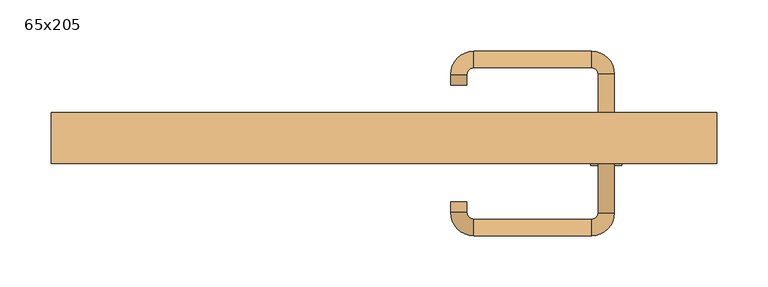
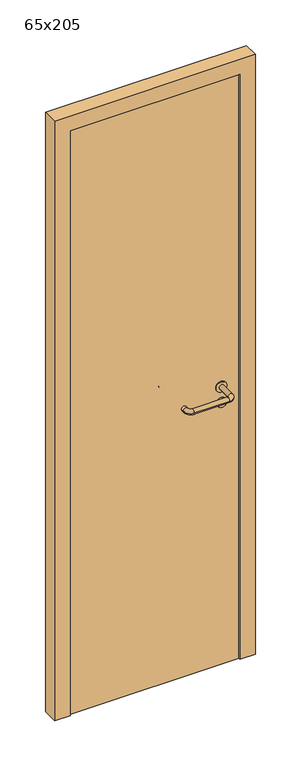
"""IFC4 building model written with IfcOpenShell, lengths in millimetres: door geometry, 65x205."""

from ifc_helpers import new_model, si_unit, point, frame, frame_2d, origin, origin_with_axes, place, context, project, spatial, polyline, circle_curve, ellipse_curve, trimmed, segment, composite_curve, outline, extrude, source, transform, mapped, element, save
from ifc_brep_helpers import plane_surface, cylinder_surface, revolved_surface, advanced_brep


def door_65x205_3308ff74(model_context):
    return source(origin(), model_context, "Body", "SolidModel", [
        extrude(outline(composite_curve([segment(trimmed(circle_curve(frame_2d((897.3605726, 217.0)), 15.0), [point((897.3605726, 232.0))], [point((897.3605726, 202.0))], False, "CARTESIAN"), True, "CONTINUOUS"), segment(trimmed(circle_curve(frame_2d((897.3605726, 217.0)), 15.0), [point((897.3605726, 202.0))], [point((897.3605726, 232.0))], False, "CARTESIAN"), True, "CONTINUOUS")], self_intersect=False), holes=[composite_curve([segment(trimmed(circle_curve(frame_2d((892.5833211, 216.9398032)), 2.0), [point((892.5833211, 218.9398032))], [point((892.5833211, 214.9398032))], True, "CARTESIAN"), True, "CONTINUOUS"), segment(polyline([(892.5833211, 214.9398032), (902.5833211, 214.9398032)]), True, "CONTINUOUS"), segment(trimmed(circle_curve(frame_2d((902.5833211, 216.9398032)), 2.0), [point((902.5833211, 214.9398032))], [point((902.5833211, 218.9398032))], True, "CARTESIAN"), True, "CONTINUOUS"), segment(polyline([(902.5833211, 218.9398032), (892.5833211, 218.9398032)]), True, "CONTINUOUS")], self_intersect=False)]), frame((0.0, 10.0, 0.0), z_axis=(0.0, 1.0, 0.0), x_axis=(0.0, 0.0, 1.0)), (0.0, 0.0, 1.0), 6.35),
        extrude(outline(composite_curve([segment(trimmed(circle_curve(frame_2d((950.0, 217.0)), 17.526), [point((950.0, 234.526))], [point((950.0, 199.474))], False, "CARTESIAN"), True, "CONTINUOUS"), segment(trimmed(circle_curve(frame_2d((950.0, 217.0)), 17.526), [point((950.0, 199.474))], [point((950.0, 234.526))], False, "CARTESIAN"), True, "CONTINUOUS")], self_intersect=False)), frame((0.0, 10.0, 0.0), z_axis=(0.0, 1.0, 0.0), x_axis=(0.0, 0.0, 1.0)), (0.0, 0.0, 1.0), 3.175),
        advanced_brep(
        [(225.0, 10.0, 950.0), (209.0, 10.0, 950.0), (225.0, 63.0, 950.0), (209.0, 63.0, 950.0), (202.8578644, 69.1421356, 950.0), (202.8578644, 85.1421356, 950.0), (87.8578644, 85.1421356, 950.0), (87.8578644, 69.1421356, 950.0), (81.008622, 62.2928932, 950.0), (65.008622, 62.2928932, 950.0), (65.008622, 52.2928932, 950.0), (81.008622, 52.2928932, 950.0)],
        [
            (0, 1, circle_curve(frame((217.0, 10.0, 950.0), z_axis=(0.0, -1.0, 0.0), x_axis=(-1.0, 0.0, 0.0)), 8.0)),
            (1, 0, circle_curve(frame((217.0, 10.0, 950.0), z_axis=(0.0, -1.0, 0.0), x_axis=(-1.0, 0.0, 0.0)), 8.0)),
            (0, 2),
            (2, 3, circle_curve(frame((217.0, 63.0, 950.0), z_axis=(0.0, -1.0, 0.0), x_axis=(-1.0, 0.0, 0.0)), 8.0)),
            (3, 1),
            (3, 2, circle_curve(frame((217.0, 63.0, 950.0), z_axis=(0.0, -1.0, 0.0), x_axis=(-1.0, 0.0, 0.0)), 8.0)),
            (4, 3, circle_curve(frame((202.8578644, 63.0, 950.0), z_axis=(0.0, 0.0, -1.0), x_axis=(1.0, 0.0, 0.0)), 6.1421356)),
            (2, 5, circle_curve(frame((202.8578644, 63.0, 950.0), z_axis=(0.0, 0.0, 1.0), x_axis=(1.0, 0.0, 0.0)), 22.1421356)),
            (5, 4, circle_curve(frame((202.8578644, 77.1421356, 950.0), z_axis=(1.0, 0.0, 0.0), x_axis=(0.0, -1.0, 0.0)), 8.0)),
            (4, 5, circle_curve(frame((202.8578644, 77.1421356, 950.0), z_axis=(1.0, 0.0, 0.0), x_axis=(0.0, -1.0, 0.0)), 8.0)),
            (5, 6),
            (6, 7, circle_curve(frame((87.8578644, 77.1421356, 950.0), z_axis=(1.0, 0.0, 0.0), x_axis=(0.0, -1.0, 0.0)), 8.0)),
            (7, 4),
            (7, 6, circle_curve(frame((87.8578644, 77.1421356, 950.0), z_axis=(1.0, 0.0, 0.0), x_axis=(0.0, -1.0, 0.0)), 8.0)),
            (8, 7, circle_curve(frame((87.8578644, 62.2928932, 950.0), z_axis=(0.0, 0.0, -1.0), x_axis=(0.0, 1.0, 0.0)), 6.8492424)),
            (6, 9, circle_curve(frame((87.8578644, 62.2928932, 950.0), z_axis=(0.0, 0.0, 1.0), x_axis=(0.0, 1.0, 0.0)), 22.8492424)),
            (9, 8, circle_curve(frame((73.008622, 62.2928932, 950.0), z_axis=(0.0, 1.0, 0.0), x_axis=(1.0, 0.0, 0.0)), 8.0)),
            (8, 9, circle_curve(frame((73.008622, 62.2928932, 950.0), z_axis=(0.0, 1.0, 0.0), x_axis=(1.0, 0.0, 0.0)), 8.0)),
            (10, 11, circle_curve(frame((73.008622, 52.2928932, 950.0), z_axis=(0.0, -1.0, 0.0), x_axis=(1.0, 0.0, 0.0)), 8.0)),
            (11, 10, circle_curve(frame((73.008622, 52.2928932, 950.0), z_axis=(0.0, -1.0, 0.0), x_axis=(1.0, 0.0, 0.0)), 8.0)),
            (9, 10),
            (11, 8),
        ],
        [
            plane_surface(frame((217.0, 10.0, 170.0), z_axis=(0.0, -1.0, 0.0), x_axis=(0.0, 0.0, 1.0))),
            cylinder_surface(frame((217.0, 10.0, 950.0), z_axis=(0.0, -1.0, 0.0), x_axis=(-1.0, 0.0, 0.0)), 8.0),
            revolved_surface(trimmed(ellipse_curve(frame((217.0, 63.0, 950.0), z_axis=(0.0, -1.0, 0.0), x_axis=(-1.0, 0.0, 0.0)), 8.0, 8.0), [point((225.0, 63.0, 950.0))], [point((209.0, 63.0, 950.0))], True, "CARTESIAN"), (202.8578644, 63.0, 170.0), (0.0, 0.0, 1.0)),
            revolved_surface(trimmed(ellipse_curve(frame((217.0, 63.0, 950.0), z_axis=(0.0, -1.0, 0.0), x_axis=(-1.0, 0.0, 0.0)), 8.0, 8.0), [point((209.0, 63.0, 950.0))], [point((225.0, 63.0, 950.0))], True, "CARTESIAN"), (202.8578644, 63.0, 170.0), (0.0, 0.0, 1.0)),
            cylinder_surface(frame((202.8578644, 77.1421356, 950.0), z_axis=(1.0, 0.0, 0.0), x_axis=(0.0, -1.0, 0.0)), 8.0),
            revolved_surface(trimmed(ellipse_curve(frame((87.8578644, 77.1421356, 950.0), z_axis=(1.0, 0.0, 0.0), x_axis=(0.0, -1.0, 0.0)), 8.0, 8.0), [point((87.8578644, 85.1421356, 950.0))], [point((87.8578644, 69.1421356, 950.0))], True, "CARTESIAN"), (87.8578644, 62.2928932, 170.0), (0.0, 0.0, 1.0)),
            revolved_surface(trimmed(ellipse_curve(frame((87.8578644, 77.1421356, 950.0), z_axis=(1.0, 0.0, 0.0), x_axis=(0.0, -1.0, 0.0)), 8.0, 8.0), [point((87.8578644, 69.1421356, 950.0))], [point((87.8578644, 85.1421356, 950.0))], True, "CARTESIAN"), (87.8578644, 62.2928932, 170.0), (0.0, 0.0, 1.0)),
            plane_surface(frame((73.008622, 52.2928932, 170.0), z_axis=(0.0, -1.0, 0.0), x_axis=(0.0, 0.0, 1.0))),
            cylinder_surface(frame((73.008622, 62.2928932, 950.0), z_axis=(0.0, 1.0, 0.0), x_axis=(1.0, 0.0, 0.0)), 8.0),
        ],
        [
            (0, [[1, 2]]),
            (1, [[-1, 3, 4, 5]]),
            (1, [[-2, -5, 6, -3]]),
            (2, [[7, -4, 8, 9]]),
            (3, [[-8, -6, -7, 10]]),
            (4, [[-9, 11, 12, 13]]),
            (4, [[-10, -13, 14, -11]]),
            (5, [[15, -12, 16, 17]]),
            (6, [[-16, -14, -15, 18]]),
            (7, [[19, 20]]),
            (8, [[-17, 21, -20, 22]]),
            (8, [[-18, -22, -19, -21]]),
        ],
    ),
        extrude(outline(composite_curve([segment(trimmed(circle_curve(frame_2d((0.0, 15.0)), 15.0), [point((0.0, 30.0))], [point((0.0, 0.0))], False, "CARTESIAN"), True, "CONTINUOUS"), segment(trimmed(circle_curve(frame_2d((0.0, 15.0)), 15.0), [point((0.0, 0.0))], [point((0.0, 30.0))], False, "CARTESIAN"), True, "CONTINUOUS")], self_intersect=False), holes=[composite_curve([segment(trimmed(circle_curve(frame_2d((-4.7772515, 14.9398032)), 2.0), [point((-4.7772515, 16.9398032))], [point((-4.7772515, 12.9398032))], True, "CARTESIAN"), True, "CONTINUOUS"), segment(polyline([(-4.7772515, 12.9398032), (5.2227485, 12.9398032)]), True, "CONTINUOUS"), segment(trimmed(circle_curve(frame_2d((5.2227485, 14.9398032)), 2.0), [point((5.2227485, 12.9398032))], [point((5.2227485, 16.9398032))], True, "CARTESIAN"), True, "CONTINUOUS"), segment(polyline([(5.2227485, 16.9398032), (-4.7772515, 16.9398032)]), True, "CONTINUOUS")], self_intersect=False)]), frame((202.0, -26.35, 897.3605726), z_axis=(-1.8870575173328306e-12, 1.0, 0.0), x_axis=(0.0, 0.0, 1.0)), (0.0, 0.0, 1.0), 6.35),
        extrude(outline(composite_curve([segment(trimmed(circle_curve(frame_2d((0.0, 17.526)), 17.526), [point((0.0, 35.052))], [point((0.0, 0.0))], False, "CARTESIAN"), True, "CONTINUOUS"), segment(trimmed(circle_curve(frame_2d((0.0, 17.526)), 17.526), [point((0.0, 0.0))], [point((0.0, 35.052))], False, "CARTESIAN"), True, "CONTINUOUS")], self_intersect=False)), frame((199.474, -23.175, 950.0), z_axis=(-1.8870575173328306e-12, 1.0, 0.0), x_axis=(0.0, 0.0, 1.0)), (0.0, 0.0, 1.0), 3.175),
        advanced_brep(
        [(225.0, -20.0, 950.0), (209.0, -20.0, 950.0), (209.0, -73.0, 950.0), (225.0, -73.0, 950.0), (202.8578644, -79.1421356, 950.0), (202.8578644, -95.1421356, 950.0), (87.8578644, -79.1421356, 950.0), (87.8578644, -95.1421356, 950.0), (81.008622, -72.2928932, 950.0), (65.008622, -72.2928932, 950.0), (65.008622, -62.2928932, 950.0), (81.008622, -62.2928932, 950.0)],
        [
            (0, 1, circle_curve(frame((217.0, -20.0, 950.0), z_axis=(-1.888672253512351e-12, 1.0, 0.0), x_axis=(-1.0, -1.888672253512351e-12, 0.0)), 8.0)),
            (1, 0, circle_curve(frame((217.0, -20.0, 950.0), z_axis=(-1.888672253512351e-12, 1.0, 0.0), x_axis=(-1.0, -1.888672253512351e-12, 0.0)), 8.0)),
            (1, 2),
            (2, 3, circle_curve(frame((217.0, -73.0, 950.0), z_axis=(-1.888672253512351e-12, 1.0, 0.0), x_axis=(-1.0, -1.888672253512351e-12, 0.0)), 8.0)),
            (3, 0),
            (3, 2, circle_curve(frame((217.0, -73.0, 950.0), z_axis=(-1.888672253512351e-12, 1.0, 0.0), x_axis=(-1.0, -1.888672253512351e-12, 0.0)), 8.0)),
            (4, 5, circle_curve(frame((202.8578644, -87.1421356, 950.0), z_axis=(1.0, 1.913702061528922e-12, 0.0), x_axis=(-1.913702061528922e-12, 1.0, 0.0)), 8.0)),
            (5, 3, circle_curve(frame((202.8578644, -73.0, 950.0), z_axis=(0.0, 0.0, 1.0), x_axis=(1.0, 1.880717803715015e-12, 0.0)), 22.1421356)),
            (2, 4, circle_curve(frame((202.8578644, -73.0, 950.0), z_axis=(0.0, 0.0, -1.0), x_axis=(1.0, 1.880717803715015e-12, 0.0)), 6.1421356)),
            (5, 4, circle_curve(frame((202.8578644, -87.1421356, 950.0), z_axis=(1.0, 1.913702061528922e-12, 0.0), x_axis=(-1.913702061528922e-12, 1.0, 0.0)), 8.0)),
            (4, 6),
            (6, 7, circle_curve(frame((87.8578644, -87.1421356, 950.0), z_axis=(1.0, 1.913719828541269e-12, 0.0), x_axis=(-1.913719828541269e-12, 1.0, 0.0)), 8.0)),
            (7, 5),
            (7, 6, circle_curve(frame((87.8578644, -87.1421356, 950.0), z_axis=(1.0, 1.913719828541269e-12, 0.0), x_axis=(-1.913719828541269e-12, 1.0, 0.0)), 8.0)),
            (8, 9, circle_curve(frame((73.008622, -72.2928932, 950.0), z_axis=(1.890226565746826e-12, -1.0, 0.0), x_axis=(1.0, 1.890226565746826e-12, 0.0)), 8.0)),
            (9, 7, circle_curve(frame((87.8578644, -72.2928932, 950.0), z_axis=(0.0, 0.0, 1.0), x_axis=(1.9120873253494017e-12, -1.0, 0.0)), 22.8492424)),
            (6, 8, circle_curve(frame((87.8578644, -72.2928932, 950.0), z_axis=(0.0, 0.0, -1.0), x_axis=(1.9120873253494017e-12, -1.0, 0.0)), 6.8492424)),
            (9, 8, circle_curve(frame((73.008622, -72.2928932, 950.0), z_axis=(1.890670654956676e-12, -1.0, 0.0), x_axis=(1.0, 1.890670654956676e-12, 0.0)), 8.0)),
            (10, 11, circle_curve(frame((73.008622, -62.2928932, 950.0), z_axis=(-1.8903642334018795e-12, 1.0, 0.0), x_axis=(1.0, 1.8903642334018795e-12, 0.0)), 8.0)),
            (11, 10, circle_curve(frame((73.008622, -62.2928932, 950.0), z_axis=(-1.8903642334018795e-12, 1.0, 0.0), x_axis=(1.0, 1.8903642334018795e-12, 0.0)), 8.0)),
            (8, 11),
            (10, 9),
        ],
        [
            plane_surface(frame((217.0, -20.0, 170.0), z_axis=(-1.8870575173328306e-12, 1.0, 0.0), x_axis=(0.0, 0.0, 1.0))),
            cylinder_surface(frame((217.0, -20.0, 950.0), z_axis=(-1.888672253512351e-12, 1.0, 0.0), x_axis=(-1.0, -1.888672253512351e-12, 0.0)), 8.0),
            revolved_surface(trimmed(ellipse_curve(frame((217.0, -73.0, 950.0), z_axis=(1.8823325398945356e-12, -1.0, 0.0), x_axis=(-1.0, -1.8823325398945356e-12, 0.0)), 8.0, 8.0), [point((225.0, -73.0, 950.0))], [point((209.0, -73.0, 950.0))], True, "CARTESIAN"), (202.8578644, -73.0, 170.0), (0.0, 0.0, 1.0)),
            revolved_surface(trimmed(ellipse_curve(frame((217.0, -73.0, 950.0), z_axis=(1.8823325398945356e-12, -1.0, 0.0), x_axis=(-1.0, -1.8823325398945356e-12, 0.0)), 8.0, 8.0), [point((209.0, -73.0, 950.0))], [point((225.0, -73.0, 950.0))], True, "CARTESIAN"), (202.8578644, -73.0, 170.0), (0.0, 0.0, 1.0)),
            cylinder_surface(frame((202.8578644, -87.1421356, 950.0), z_axis=(1.0, 1.913719828541269e-12, 0.0), x_axis=(-1.913719828541269e-12, 1.0, 0.0)), 8.0),
            revolved_surface(trimmed(ellipse_curve(frame((87.8578644, -87.1421356, 950.0), z_axis=(-1.0, -1.913702061528922e-12, 0.0), x_axis=(-1.913702061528922e-12, 1.0, 0.0)), 8.0, 8.0), [point((87.8578644, -95.1421356, 950.0))], [point((87.8578644, -79.1421356, 950.0))], True, "CARTESIAN"), (87.8578644, -72.2928932, 170.0), (0.0, 0.0, 1.0)),
            revolved_surface(trimmed(ellipse_curve(frame((87.8578644, -87.1421356, 950.0), z_axis=(-1.0, -1.913702061528922e-12, 0.0), x_axis=(-1.913702061528922e-12, 1.0, 0.0)), 8.0, 8.0), [point((87.8578644, -79.1421356, 950.0))], [point((87.8578644, -95.1421356, 950.0))], True, "CARTESIAN"), (87.8578644, -72.2928932, 170.0), (0.0, 0.0, 1.0)),
            plane_surface(frame((73.008622, -62.2928932, 170.0), z_axis=(-1.8887494972223595e-12, 1.0, 0.0), x_axis=(0.0, 0.0, 1.0))),
            cylinder_surface(frame((73.008622, -72.2928932, 950.0), z_axis=(1.8903642334018795e-12, -1.0, 0.0), x_axis=(1.0, 1.8903642334018795e-12, 0.0)), 8.0),
        ],
        [
            (0, [[1, 2]]),
            (1, [[3, 4, 5, -2]]),
            (1, [[-5, 6, -3, -1]]),
            (2, [[7, 8, -4, 9]]),
            (3, [[10, -9, -6, -8]]),
            (4, [[11, 12, 13, -7]]),
            (4, [[-13, 14, -11, -10]]),
            (5, [[15, 16, -12, 17]]),
            (6, [[18, -17, -14, -16]]),
            (7, [[19, 20]]),
            (8, [[21, -19, 22, -15]]),
            (8, [[-22, -20, -21, -18]]),
        ],
    ),
        extrude(outline(polyline([(2000.0, 275.0), (0.0, 275.0), (0.0, 325.0), (2050.0, 325.0), (2050.0, -325.0), (0.0, -325.0), (0.0, -275.0), (2000.0, -275.0), (2000.0, 275.0)])), frame((0.0, -25.0, 0.0), z_axis=(0.0, 1.0, 0.0), x_axis=(0.0, 0.0, 1.0)), (0.0, 0.0, 1.0), 50.0),
        extrude(outline(polyline([(-275.0, -20.0), (-275.0, 10.0), (275.0, 10.0), (275.0, -20.0), (-275.0, -20.0)])), origin_with_axes(), (0.0, 0.0, 1.0), 2000.0),
    ])


if __name__ == "__main__":
    model = new_model("IFC4")
    model_context = context("Model", 3, world=origin())
    ifc_project = project(units=[si_unit("LENGTHUNIT", "METRE", prefix="MILLI")], contexts=[model_context])
    site = spatial("IfcSite", under=ifc_project)
    building = spatial("IfcBuilding", under=site)
    placement = place(None, origin())
    door_65x205_shape = door_65x205_3308ff74(model_context)
    element("IfcDoor", 1, ObjectType="65x205", at=placement, inside=building, context=model_context, shape_type="MappedRepresentation", body=[
        mapped(door_65x205_shape, transform((0.0, 0.0, 0.0), x_axis=(1.0, 0.0, 0.0), y_axis=(0.0, 1.0, 0.0), z_axis=(0.0, 0.0, 1.0))),
    ])
    save(model, "model.ifc")
